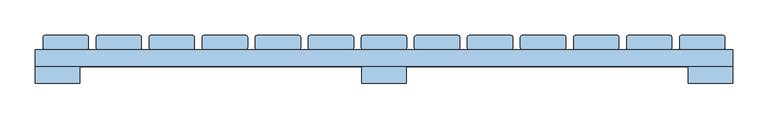
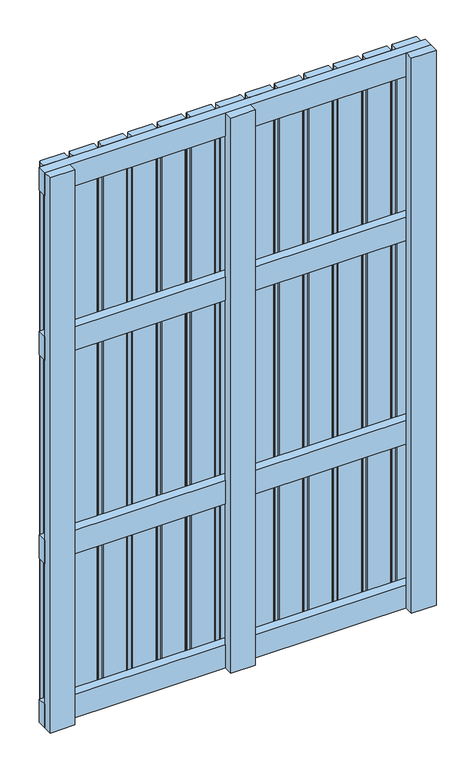
"""IFC4 building model written with IfcOpenShell, lengths in millimetres: window geometry."""

from ifc_helpers import new_model, si_unit, point, frame, frame_2d, origin, place, context, project, spatial, polyline, circle_curve, trimmed, segment, composite_curve, outline, extrude, source, transform, mapped, element, save


def window_2d92eb40(model_context):
    return source(origin(), model_context, "Body", "SweptSolid", [
        extrude(outline(polyline([(493.0, 30.0), (493.0, 6.0), (-493.0, 6.0), (-493.0, 30.0), (493.0, 30.0)])), frame((0.0, 0.0, 1093.5), z_axis=(0.0, 0.0, 1.0), x_axis=(1.0, 0.0, 0.0)), (0.0, 0.0, 1.0), 63.0),
        extrude(outline(polyline([(493.0, 30.0), (493.0, 6.0), (-493.0, 6.0), (-493.0, 30.0), (493.0, 30.0)])), frame((0.0, 0.0, 543.5), z_axis=(0.0, 0.0, 1.0), x_axis=(1.0, 0.0, 0.0)), (0.0, 0.0, 1.0), 63.0),
        extrude(outline(polyline([(493.0, 30.0), (493.0, 6.0), (-493.0, 6.0), (-493.0, 30.0), (493.0, 30.0)])), frame((0.0, 0.0, 1537.0), z_axis=(0.0, 0.0, 1.0), x_axis=(1.0, 0.0, 0.0)), (0.0, 0.0, 1.0), 63.0),
        extrude(outline(polyline([(493.0, 30.0), (493.0, 6.0), (-493.0, 6.0), (-493.0, 30.0), (493.0, 30.0)])), frame((0.0, 0.0, 100.0), z_axis=(0.0, 0.0, 1.0), x_axis=(1.0, 0.0, 0.0)), (0.0, 0.0, 1.0), 63.0),
        extrude(outline(composite_curve([segment(polyline([(-404.0, 50.0), (-346.0, 50.0)]), True, "CONTINUOUS"), segment(trimmed(circle_curve(frame_2d((-346.0, 47.0)), 3.0), [point((-346.0, 50.0))], [point((-343.0, 47.0))], False, "CARTESIAN"), True, "CONTINUOUS"), segment(polyline([(-343.0, 47.0), (-343.0, 33.0)]), True, "CONTINUOUS"), segment(trimmed(circle_curve(frame_2d((-346.0, 33.0)), 3.0), [point((-343.0, 33.0))], [point((-346.0, 30.0))], False, "CARTESIAN"), True, "CONTINUOUS"), segment(polyline([(-346.0, 30.0), (-404.0, 30.0)]), True, "CONTINUOUS"), segment(trimmed(circle_curve(frame_2d((-404.0, 33.0)), 3.0), [point((-404.0, 30.0))], [point((-407.0, 33.0))], False, "CARTESIAN"), True, "CONTINUOUS"), segment(polyline([(-407.0, 33.0), (-407.0, 47.0)]), True, "CONTINUOUS"), segment(trimmed(circle_curve(frame_2d((-404.0, 47.0)), 3.0), [point((-407.0, 47.0))], [point((-404.0, 50.0))], False, "CARTESIAN"), True, "CONTINUOUS")], self_intersect=False)), frame((0.0, 0.0, 100.0), z_axis=(0.0, 0.0, 1.0), x_axis=(1.0, 0.0, 0.0)), (0.0, 0.0, 1.0), 1500.0),
        extrude(outline(composite_curve([segment(polyline([(-329.0, 50.0), (-271.0, 50.0)]), True, "CONTINUOUS"), segment(trimmed(circle_curve(frame_2d((-271.0, 47.0)), 3.0), [point((-271.0, 50.0))], [point((-268.0, 47.0))], False, "CARTESIAN"), True, "CONTINUOUS"), segment(polyline([(-268.0, 47.0), (-268.0, 33.0)]), True, "CONTINUOUS"), segment(trimmed(circle_curve(frame_2d((-271.0, 33.0)), 3.0), [point((-268.0, 33.0))], [point((-271.0, 30.0))], False, "CARTESIAN"), True, "CONTINUOUS"), segment(polyline([(-271.0, 30.0), (-329.0, 30.0)]), True, "CONTINUOUS"), segment(trimmed(circle_curve(frame_2d((-329.0, 33.0)), 3.0), [point((-329.0, 30.0))], [point((-332.0, 33.0))], False, "CARTESIAN"), True, "CONTINUOUS"), segment(polyline([(-332.0, 33.0), (-332.0, 47.0)]), True, "CONTINUOUS"), segment(trimmed(circle_curve(frame_2d((-329.0, 47.0)), 3.0), [point((-332.0, 47.0))], [point((-329.0, 50.0))], False, "CARTESIAN"), True, "CONTINUOUS")], self_intersect=False)), frame((0.0, 0.0, 100.0), z_axis=(0.0, 0.0, 1.0), x_axis=(1.0, 0.0, 0.0)), (0.0, 0.0, 1.0), 1500.0),
        extrude(outline(composite_curve([segment(polyline([(-254.0, 50.0), (-196.0, 50.0)]), True, "CONTINUOUS"), segment(trimmed(circle_curve(frame_2d((-196.0, 47.0)), 3.0), [point((-196.0, 50.0))], [point((-193.0, 47.0))], False, "CARTESIAN"), True, "CONTINUOUS"), segment(polyline([(-193.0, 47.0), (-193.0, 33.0)]), True, "CONTINUOUS"), segment(trimmed(circle_curve(frame_2d((-196.0, 33.0)), 3.0), [point((-193.0, 33.0))], [point((-196.0, 30.0))], False, "CARTESIAN"), True, "CONTINUOUS"), segment(polyline([(-196.0, 30.0), (-254.0, 30.0)]), True, "CONTINUOUS"), segment(trimmed(circle_curve(frame_2d((-254.0, 33.0)), 3.0), [point((-254.0, 30.0))], [point((-257.0, 33.0))], False, "CARTESIAN"), True, "CONTINUOUS"), segment(polyline([(-257.0, 33.0), (-257.0, 47.0)]), True, "CONTINUOUS"), segment(trimmed(circle_curve(frame_2d((-254.0, 47.0)), 3.0), [point((-257.0, 47.0))], [point((-254.0, 50.0))], False, "CARTESIAN"), True, "CONTINUOUS")], self_intersect=False)), frame((0.0, 0.0, 100.0), z_axis=(0.0, 0.0, 1.0), x_axis=(1.0, 0.0, 0.0)), (0.0, 0.0, 1.0), 1500.0),
        extrude(outline(composite_curve([segment(polyline([(-179.0, 50.0), (-121.0, 50.0)]), True, "CONTINUOUS"), segment(trimmed(circle_curve(frame_2d((-121.0, 47.0)), 3.0), [point((-121.0, 50.0))], [point((-118.0, 47.0))], False, "CARTESIAN"), True, "CONTINUOUS"), segment(polyline([(-118.0, 47.0), (-118.0, 33.0)]), True, "CONTINUOUS"), segment(trimmed(circle_curve(frame_2d((-121.0, 33.0)), 3.0), [point((-118.0, 33.0))], [point((-121.0, 30.0))], False, "CARTESIAN"), True, "CONTINUOUS"), segment(polyline([(-121.0, 30.0), (-179.0, 30.0)]), True, "CONTINUOUS"), segment(trimmed(circle_curve(frame_2d((-179.0, 33.0)), 3.0), [point((-179.0, 30.0))], [point((-182.0, 33.0))], False, "CARTESIAN"), True, "CONTINUOUS"), segment(polyline([(-182.0, 33.0), (-182.0, 47.0)]), True, "CONTINUOUS"), segment(trimmed(circle_curve(frame_2d((-179.0, 47.0)), 3.0), [point((-182.0, 47.0))], [point((-179.0, 50.0))], False, "CARTESIAN"), True, "CONTINUOUS")], self_intersect=False)), frame((0.0, 0.0, 100.0), z_axis=(0.0, 0.0, 1.0), x_axis=(1.0, 0.0, 0.0)), (0.0, 0.0, 1.0), 1500.0),
        extrude(outline(composite_curve([segment(polyline([(-104.0, 50.0), (-46.0, 50.0)]), True, "CONTINUOUS"), segment(trimmed(circle_curve(frame_2d((-46.0, 47.0)), 3.0), [point((-46.0, 50.0))], [point((-43.0, 47.0))], False, "CARTESIAN"), True, "CONTINUOUS"), segment(polyline([(-43.0, 47.0), (-43.0, 33.0)]), True, "CONTINUOUS"), segment(trimmed(circle_curve(frame_2d((-46.0, 33.0)), 3.0), [point((-43.0, 33.0))], [point((-46.0, 30.0))], False, "CARTESIAN"), True, "CONTINUOUS"), segment(polyline([(-46.0, 30.0), (-104.0, 30.0)]), True, "CONTINUOUS"), segment(trimmed(circle_curve(frame_2d((-104.0, 33.0)), 3.0), [point((-104.0, 30.0))], [point((-107.0, 33.0))], False, "CARTESIAN"), True, "CONTINUOUS"), segment(polyline([(-107.0, 33.0), (-107.0, 47.0)]), True, "CONTINUOUS"), segment(trimmed(circle_curve(frame_2d((-104.0, 47.0)), 3.0), [point((-107.0, 47.0))], [point((-104.0, 50.0))], False, "CARTESIAN"), True, "CONTINUOUS")], self_intersect=False)), frame((0.0, 0.0, 100.0), z_axis=(0.0, 0.0, 1.0), x_axis=(1.0, 0.0, 0.0)), (0.0, 0.0, 1.0), 1500.0),
        extrude(outline(composite_curve([segment(polyline([(-29.0, 50.0), (29.0, 50.0)]), True, "CONTINUOUS"), segment(trimmed(circle_curve(frame_2d((29.0, 47.0)), 3.0), [point((29.0, 50.0))], [point((32.0, 47.0))], False, "CARTESIAN"), True, "CONTINUOUS"), segment(polyline([(32.0, 47.0), (32.0, 33.0)]), True, "CONTINUOUS"), segment(trimmed(circle_curve(frame_2d((29.0, 33.0)), 3.0), [point((32.0, 33.0))], [point((29.0, 30.0))], False, "CARTESIAN"), True, "CONTINUOUS"), segment(polyline([(29.0, 30.0), (-29.0, 30.0)]), True, "CONTINUOUS"), segment(trimmed(circle_curve(frame_2d((-29.0, 33.0)), 3.0), [point((-29.0, 30.0))], [point((-32.0, 33.0))], False, "CARTESIAN"), True, "CONTINUOUS"), segment(polyline([(-32.0, 33.0), (-32.0, 47.0)]), True, "CONTINUOUS"), segment(trimmed(circle_curve(frame_2d((-29.0, 47.0)), 3.0), [point((-32.0, 47.0))], [point((-29.0, 50.0))], False, "CARTESIAN"), True, "CONTINUOUS")], self_intersect=False)), frame((0.0, 0.0, 100.0), z_axis=(0.0, 0.0, 1.0), x_axis=(1.0, 0.0, 0.0)), (0.0, 0.0, 1.0), 1500.0),
        extrude(outline(composite_curve([segment(polyline([(46.0, 50.0), (104.0, 50.0)]), True, "CONTINUOUS"), segment(trimmed(circle_curve(frame_2d((104.0, 47.0)), 3.0), [point((104.0, 50.0))], [point((107.0, 47.0))], False, "CARTESIAN"), True, "CONTINUOUS"), segment(polyline([(107.0, 47.0), (107.0, 33.0)]), True, "CONTINUOUS"), segment(trimmed(circle_curve(frame_2d((104.0, 33.0)), 3.0), [point((107.0, 33.0))], [point((104.0, 30.0))], False, "CARTESIAN"), True, "CONTINUOUS"), segment(polyline([(104.0, 30.0), (46.0, 30.0)]), True, "CONTINUOUS"), segment(trimmed(circle_curve(frame_2d((46.0, 33.0)), 3.0), [point((46.0, 30.0))], [point((43.0, 33.0))], False, "CARTESIAN"), True, "CONTINUOUS"), segment(polyline([(43.0, 33.0), (43.0, 47.0)]), True, "CONTINUOUS"), segment(trimmed(circle_curve(frame_2d((46.0, 47.0)), 3.0), [point((43.0, 47.0))], [point((46.0, 50.0))], False, "CARTESIAN"), True, "CONTINUOUS")], self_intersect=False)), frame((0.0, 0.0, 100.0), z_axis=(0.0, 0.0, 1.0), x_axis=(1.0, 0.0, 0.0)), (0.0, 0.0, 1.0), 1500.0),
        extrude(outline(composite_curve([segment(polyline([(121.0, 50.0), (179.0, 50.0)]), True, "CONTINUOUS"), segment(trimmed(circle_curve(frame_2d((179.0, 47.0)), 3.0), [point((179.0, 50.0))], [point((182.0, 47.0))], False, "CARTESIAN"), True, "CONTINUOUS"), segment(polyline([(182.0, 47.0), (182.0, 33.0)]), True, "CONTINUOUS"), segment(trimmed(circle_curve(frame_2d((179.0, 33.0)), 3.0), [point((182.0, 33.0))], [point((179.0, 30.0))], False, "CARTESIAN"), True, "CONTINUOUS"), segment(polyline([(179.0, 30.0), (121.0, 30.0)]), True, "CONTINUOUS"), segment(trimmed(circle_curve(frame_2d((121.0, 33.0)), 3.0), [point((121.0, 30.0))], [point((118.0, 33.0))], False, "CARTESIAN"), True, "CONTINUOUS"), segment(polyline([(118.0, 33.0), (118.0, 47.0)]), True, "CONTINUOUS"), segment(trimmed(circle_curve(frame_2d((121.0, 47.0)), 3.0), [point((118.0, 47.0))], [point((121.0, 50.0))], False, "CARTESIAN"), True, "CONTINUOUS")], self_intersect=False)), frame((0.0, 0.0, 100.0), z_axis=(0.0, 0.0, 1.0), x_axis=(1.0, 0.0, 0.0)), (0.0, 0.0, 1.0), 1500.0),
        extrude(outline(composite_curve([segment(polyline([(196.0, 50.0), (254.0, 50.0)]), True, "CONTINUOUS"), segment(trimmed(circle_curve(frame_2d((254.0, 47.0)), 3.0), [point((254.0, 50.0))], [point((257.0, 47.0))], False, "CARTESIAN"), True, "CONTINUOUS"), segment(polyline([(257.0, 47.0), (257.0, 33.0)]), True, "CONTINUOUS"), segment(trimmed(circle_curve(frame_2d((254.0, 33.0)), 3.0), [point((257.0, 33.0))], [point((254.0, 30.0))], False, "CARTESIAN"), True, "CONTINUOUS"), segment(polyline([(254.0, 30.0), (196.0, 30.0)]), True, "CONTINUOUS"), segment(trimmed(circle_curve(frame_2d((196.0, 33.0)), 3.0), [point((196.0, 30.0))], [point((193.0, 33.0))], False, "CARTESIAN"), True, "CONTINUOUS"), segment(polyline([(193.0, 33.0), (193.0, 47.0)]), True, "CONTINUOUS"), segment(trimmed(circle_curve(frame_2d((196.0, 47.0)), 3.0), [point((193.0, 47.0))], [point((196.0, 50.0))], False, "CARTESIAN"), True, "CONTINUOUS")], self_intersect=False)), frame((0.0, 0.0, 100.0), z_axis=(0.0, 0.0, 1.0), x_axis=(1.0, 0.0, 0.0)), (0.0, 0.0, 1.0), 1500.0),
        extrude(outline(composite_curve([segment(polyline([(271.0, 50.0), (329.0, 50.0)]), True, "CONTINUOUS"), segment(trimmed(circle_curve(frame_2d((329.0, 47.0)), 3.0), [point((329.0, 50.0))], [point((332.0, 47.0))], False, "CARTESIAN"), True, "CONTINUOUS"), segment(polyline([(332.0, 47.0), (332.0, 33.0)]), True, "CONTINUOUS"), segment(trimmed(circle_curve(frame_2d((329.0, 33.0)), 3.0), [point((332.0, 33.0))], [point((329.0, 30.0))], False, "CARTESIAN"), True, "CONTINUOUS"), segment(polyline([(329.0, 30.0), (271.0, 30.0)]), True, "CONTINUOUS"), segment(trimmed(circle_curve(frame_2d((271.0, 33.0)), 3.0), [point((271.0, 30.0))], [point((268.0, 33.0))], False, "CARTESIAN"), True, "CONTINUOUS"), segment(polyline([(268.0, 33.0), (268.0, 47.0)]), True, "CONTINUOUS"), segment(trimmed(circle_curve(frame_2d((271.0, 47.0)), 3.0), [point((268.0, 47.0))], [point((271.0, 50.0))], False, "CARTESIAN"), True, "CONTINUOUS")], self_intersect=False)), frame((0.0, 0.0, 100.0), z_axis=(0.0, 0.0, 1.0), x_axis=(1.0, 0.0, 0.0)), (0.0, 0.0, 1.0), 1500.0),
        extrude(outline(composite_curve([segment(polyline([(346.0, 50.0), (404.0, 50.0)]), True, "CONTINUOUS"), segment(trimmed(circle_curve(frame_2d((404.0, 47.0)), 3.0), [point((404.0, 50.0))], [point((407.0, 47.0))], False, "CARTESIAN"), True, "CONTINUOUS"), segment(polyline([(407.0, 47.0), (407.0, 33.0)]), True, "CONTINUOUS"), segment(trimmed(circle_curve(frame_2d((404.0, 33.0)), 3.0), [point((407.0, 33.0))], [point((404.0, 30.0))], False, "CARTESIAN"), True, "CONTINUOUS"), segment(polyline([(404.0, 30.0), (346.0, 30.0)]), True, "CONTINUOUS"), segment(trimmed(circle_curve(frame_2d((346.0, 33.0)), 3.0), [point((346.0, 30.0))], [point((343.0, 33.0))], False, "CARTESIAN"), True, "CONTINUOUS"), segment(polyline([(343.0, 33.0), (343.0, 47.0)]), True, "CONTINUOUS"), segment(trimmed(circle_curve(frame_2d((346.0, 47.0)), 3.0), [point((343.0, 47.0))], [point((346.0, 50.0))], False, "CARTESIAN"), True, "CONTINUOUS")], self_intersect=False)), frame((0.0, 0.0, 100.0), z_axis=(0.0, 0.0, 1.0), x_axis=(1.0, 0.0, 0.0)), (0.0, 0.0, 1.0), 1500.0),
        extrude(outline(composite_curve([segment(polyline([(-479.0, 50.0), (-421.0, 50.0)]), True, "CONTINUOUS"), segment(trimmed(circle_curve(frame_2d((-421.0, 47.0)), 3.0), [point((-421.0, 50.0))], [point((-418.0, 47.0))], False, "CARTESIAN"), True, "CONTINUOUS"), segment(polyline([(-418.0, 47.0), (-418.0, 33.0)]), True, "CONTINUOUS"), segment(trimmed(circle_curve(frame_2d((-421.0, 33.0)), 3.0), [point((-418.0, 33.0))], [point((-421.0, 30.0))], False, "CARTESIAN"), True, "CONTINUOUS"), segment(polyline([(-421.0, 30.0), (-479.0, 30.0)]), True, "CONTINUOUS"), segment(trimmed(circle_curve(frame_2d((-479.0, 33.0)), 3.0), [point((-479.0, 30.0))], [point((-482.0, 33.0))], False, "CARTESIAN"), True, "CONTINUOUS"), segment(polyline([(-482.0, 33.0), (-482.0, 47.0)]), True, "CONTINUOUS"), segment(trimmed(circle_curve(frame_2d((-479.0, 47.0)), 3.0), [point((-482.0, 47.0))], [point((-479.0, 50.0))], False, "CARTESIAN"), True, "CONTINUOUS")], self_intersect=False)), frame((0.0, 0.0, 100.0), z_axis=(0.0, 0.0, 1.0), x_axis=(1.0, 0.0, 0.0)), (0.0, 0.0, 1.0), 1500.0),
        extrude(outline(composite_curve([segment(polyline([(421.0, 50.0), (479.0, 50.0)]), True, "CONTINUOUS"), segment(trimmed(circle_curve(frame_2d((479.0, 47.0)), 3.0), [point((479.0, 50.0))], [point((482.0, 47.0))], False, "CARTESIAN"), True, "CONTINUOUS"), segment(polyline([(482.0, 47.0), (482.0, 33.0)]), True, "CONTINUOUS"), segment(trimmed(circle_curve(frame_2d((479.0, 33.0)), 3.0), [point((482.0, 33.0))], [point((479.0, 30.0))], False, "CARTESIAN"), True, "CONTINUOUS"), segment(polyline([(479.0, 30.0), (421.0, 30.0)]), True, "CONTINUOUS"), segment(trimmed(circle_curve(frame_2d((421.0, 33.0)), 3.0), [point((421.0, 30.0))], [point((418.0, 33.0))], False, "CARTESIAN"), True, "CONTINUOUS"), segment(polyline([(418.0, 33.0), (418.0, 47.0)]), True, "CONTINUOUS"), segment(trimmed(circle_curve(frame_2d((421.0, 47.0)), 3.0), [point((418.0, 47.0))], [point((421.0, 50.0))], False, "CARTESIAN"), True, "CONTINUOUS")], self_intersect=False)), frame((0.0, 0.0, 100.0), z_axis=(0.0, 0.0, 1.0), x_axis=(1.0, 0.0, 0.0)), (0.0, 0.0, 1.0), 1500.0),
        extrude(outline(polyline([(-31.5, 6.1), (31.5, 6.1), (31.5, -17.9), (-31.5, -17.9), (-31.5, 6.1)])), frame((0.0, 0.0, 100.0), z_axis=(0.0, 0.0, 1.0), x_axis=(1.0, 0.0, 0.0)), (0.0, 0.0, 1.0), 1500.0),
        extrude(outline(polyline([(-493.0, 6.0), (-430.0, 6.0), (-430.0, -18.0), (-493.0, -18.0), (-493.0, 6.0)])), frame((0.0, 0.0, 100.0), z_axis=(0.0, 0.0, 1.0), x_axis=(1.0, 0.0, 0.0)), (0.0, 0.0, 1.0), 1500.0),
        extrude(outline(polyline([(430.0, 6.0), (493.0, 6.0), (493.0, -18.0), (430.0, -18.0), (430.0, 6.0)])), frame((0.0, 0.0, 100.0), z_axis=(0.0, 0.0, 1.0), x_axis=(1.0, 0.0, 0.0)), (0.0, 0.0, 1.0), 1500.0),
    ])


if __name__ == "__main__":
    model = new_model("IFC4")
    model_context = context("Model", 3, world=origin())
    ifc_project = project(units=[si_unit("LENGTHUNIT", "METRE", prefix="MILLI")], contexts=[model_context])
    site = spatial("IfcSite", under=ifc_project)
    building = spatial("IfcBuilding", under=site)
    placement = place(None, origin())
    window_shape = window_2d92eb40(model_context)
    element("IfcWindow", 1, at=placement, inside=building, context=model_context, shape_type="MappedRepresentation", body=[
        mapped(window_shape, transform((0.0, 0.0, 0.0), x_axis=(1.0, 0.0, 0.0), y_axis=(0.0, 1.0, 0.0), z_axis=(0.0, 0.0, 1.0))),
    ])
    save(model, "model.ifc")
